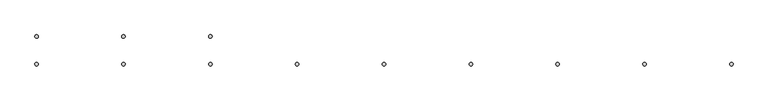
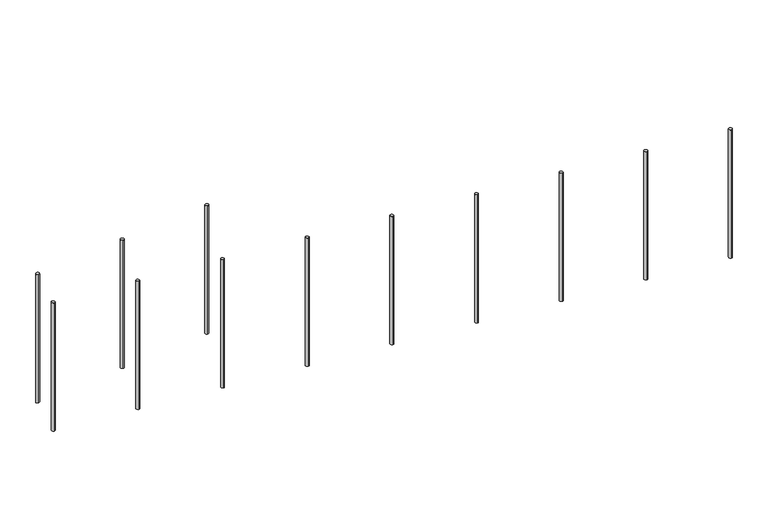
"""IFC4 building model written with IfcOpenShell, lengths in millimetres: railing geometry."""

from ifc_helpers import new_model, si_unit, frame, origin, place, context, project, spatial, ellipse_curve, source, transform, mapped, element, save
from ifc_brep_helpers import plane_surface, cylinder_surface, advanced_brep


def railing_6ff481ee(model_context):
    return source(origin(), model_context, "Body", "AdvancedBrep", [
        advanced_brep(
        [(9360.0112841, -19526.8920513, 179.8722041), (9360.0112841, -19546.8920513, 179.8722041), (9360.0112841, -19546.8920513, -620.0), (9360.0112841, -19526.8920513, -620.0)],
        [
            (0, 1, ellipse_curve(frame((9360.0112841, -19536.8920513, 179.8722041), z_axis=(0.07974522228288877, 0.0, -0.9968152785361252), x_axis=(0.9968152785361252, 0.0, 0.07974522228288722)), 10.031949, 10.0)),
            (1, 2),
            (2, 3, ellipse_curve(frame((9360.0112841, -19536.8920513, -620.0), z_axis=(-0.07974522228288976, 0.0, 0.9968152785361251), x_axis=(0.9968152785361251, 0.0, 0.07974522228288902)), 10.031949, 10.0)),
            (3, 0),
            (3, 2, ellipse_curve(frame((9360.0112841, -19536.8920513, -620.0), z_axis=(-0.07974522228288976, 0.0, 0.9968152785361251), x_axis=(0.9968152785361251, 0.0, 0.07974522228288902)), 10.031949, 10.0)),
            (1, 0, ellipse_curve(frame((9360.0112841, -19536.8920513, 179.8722041), z_axis=(0.07974522228288877, 0.0, -0.9968152785361252), x_axis=(0.9968152785361252, 0.0, 0.07974522228288722)), 10.031949, 10.0)),
        ],
        [
            cylinder_surface(frame((9360.0112841, -19536.8920513, -720.0), z_axis=(0.0, 0.0, 1.0), x_axis=(0.0, -1.0, 0.0)), 10.0),
            plane_surface(frame((9380.0112841, -19556.8920513, 181.4722041), z_axis=(-0.07974522228288877, 0.0, 0.9968152785361252), x_axis=(0.0, 1.0, 0.0))),
            plane_surface(frame((9340.0112841, -19556.8920513, -621.6), z_axis=(0.07974522228288976, 0.0, -0.9968152785361251), x_axis=(0.0, 1.0, 0.0))),
        ],
        [
            (0, [[1, 2, 3, 4]]),
            (0, [[5, -2, 6, -4]]),
            (1, [[-6, -1]]),
            (2, [[-5, -3]]),
        ],
    ),
        advanced_brep(
        [(8860.0112841, -19526.8920513, 139.8722041), (8860.0112841, -19546.8920513, 139.8722041), (8860.0112841, -19546.8920513, -660.0), (8860.0112841, -19526.8920513, -660.0)],
        [
            (0, 1, ellipse_curve(frame((8860.0112841, -19536.8920513, 139.8722041), z_axis=(0.07974522228288877, 0.0, -0.9968152785361252), x_axis=(0.9968152785361252, 0.0, 0.07974522228288722)), 10.031949, 10.0)),
            (1, 2),
            (2, 3, ellipse_curve(frame((8860.0112841, -19536.8920513, -660.0), z_axis=(-0.07974522228288976, 0.0, 0.9968152785361251), x_axis=(0.9968152785361251, 0.0, 0.07974522228288902)), 10.031949, 10.0)),
            (3, 0),
            (3, 2, ellipse_curve(frame((8860.0112841, -19536.8920513, -660.0), z_axis=(-0.07974522228288976, 0.0, 0.9968152785361251), x_axis=(0.9968152785361251, 0.0, 0.07974522228288902)), 10.031949, 10.0)),
            (1, 0, ellipse_curve(frame((8860.0112841, -19536.8920513, 139.8722041), z_axis=(0.07974522228288877, 0.0, -0.9968152785361252), x_axis=(0.9968152785361252, 0.0, 0.07974522228288722)), 10.031949, 10.0)),
        ],
        [
            cylinder_surface(frame((8860.0112841, -19536.8920513, -760.0), z_axis=(0.0, 0.0, 1.0), x_axis=(0.0, -1.0, 0.0)), 10.0),
            plane_surface(frame((8880.0112841, -19556.8920513, 141.4722041), z_axis=(-0.07974522228288877, 0.0, 0.9968152785361252), x_axis=(0.0, 1.0, 0.0))),
            plane_surface(frame((8840.0112841, -19556.8920513, -661.6), z_axis=(0.07974522228288976, 0.0, -0.9968152785361251), x_axis=(0.0, 1.0, 0.0))),
        ],
        [
            (0, [[1, 2, 3, 4]]),
            (0, [[5, -2, 6, -4]]),
            (1, [[-6, -1]]),
            (2, [[-5, -3]]),
        ],
    ),
        advanced_brep(
        [(8360.0112841, -19526.8920513, 99.8722041), (8360.0112841, -19546.8920513, 99.8722041), (8360.0112841, -19546.8920513, -700.0), (8360.0112841, -19526.8920513, -700.0)],
        [
            (0, 1, ellipse_curve(frame((8360.0112841, -19536.8920513, 99.8722041), z_axis=(0.07974522228288877, 0.0, -0.9968152785361252), x_axis=(0.9968152785361252, 0.0, 0.07974522228288722)), 10.031949, 10.0)),
            (1, 2),
            (2, 3, ellipse_curve(frame((8360.0112841, -19536.8920513, -700.0), z_axis=(-0.07974522228288976, 0.0, 0.9968152785361251), x_axis=(0.9968152785361251, 0.0, 0.07974522228288902)), 10.031949, 10.0)),
            (3, 0),
            (3, 2, ellipse_curve(frame((8360.0112841, -19536.8920513, -700.0), z_axis=(-0.07974522228288976, 0.0, 0.9968152785361251), x_axis=(0.9968152785361251, 0.0, 0.07974522228288902)), 10.031949, 10.0)),
            (1, 0, ellipse_curve(frame((8360.0112841, -19536.8920513, 99.8722041), z_axis=(0.07974522228288877, 0.0, -0.9968152785361252), x_axis=(0.9968152785361252, 0.0, 0.07974522228288722)), 10.031949, 10.0)),
        ],
        [
            cylinder_surface(frame((8360.0112841, -19536.8920513, -800.0), z_axis=(0.0, 0.0, 1.0), x_axis=(0.0, -1.0, 0.0)), 10.0),
            plane_surface(frame((8380.0112841, -19556.8920513, 101.4722041), z_axis=(-0.07974522228288877, 0.0, 0.9968152785361252), x_axis=(0.0, 1.0, 0.0))),
            plane_surface(frame((8340.0112841, -19556.8920513, -701.6), z_axis=(0.07974522228288976, 0.0, -0.9968152785361251), x_axis=(0.0, 1.0, 0.0))),
        ],
        [
            (0, [[1, 2, 3, 4]]),
            (0, [[5, -2, 6, -4]]),
            (1, [[-6, -1]]),
            (2, [[-5, -3]]),
        ],
    ),
        advanced_brep(
        [(8360.0112841, -19706.8920513, 19.8722041), (8360.0112841, -19686.8920513, 19.8722041), (8360.0112841, -19686.8920513, -780.0), (8360.0112841, -19706.8920513, -780.0)],
        [
            (0, 1, ellipse_curve(frame((8360.0112841, -19696.8920513, 19.8722041), z_axis=(-0.07974522228288877, 0.0, -0.9968152785361252), x_axis=(-0.9968152785361252, 0.0, 0.07974522228288722)), 10.031949, 10.0)),
            (1, 2),
            (2, 3, ellipse_curve(frame((8360.0112841, -19696.8920513, -780.0), z_axis=(0.07974522228288976, 0.0, 0.9968152785361251), x_axis=(-0.9968152785361251, 0.0, 0.07974522228288902)), 10.031949, 10.0)),
            (3, 0),
            (3, 2, ellipse_curve(frame((8360.0112841, -19696.8920513, -780.0), z_axis=(0.07974522228288976, 0.0, 0.9968152785361251), x_axis=(-0.9968152785361251, 0.0, 0.07974522228288902)), 10.031949, 10.0)),
            (1, 0, ellipse_curve(frame((8360.0112841, -19696.8920513, 19.8722041), z_axis=(-0.07974522228288877, 0.0, -0.9968152785361252), x_axis=(-0.9968152785361252, 0.0, 0.07974522228288722)), 10.031949, 10.0)),
        ],
        [
            cylinder_surface(frame((8360.0112841, -19696.8920513, -880.0), z_axis=(0.0, 0.0, 1.0), x_axis=(0.0, 1.0, 0.0)), 10.0),
            plane_surface(frame((8340.0112841, -19676.8920513, 21.4722041), z_axis=(0.07974522228288877, 0.0, 0.9968152785361252), x_axis=(0.0, -1.0, 0.0))),
            plane_surface(frame((8380.0112841, -19676.8920513, -781.6), z_axis=(-0.07974522228288976, 0.0, -0.9968152785361251), x_axis=(0.0, -1.0, 0.0))),
        ],
        [
            (0, [[1, 2, 3, 4]]),
            (0, [[5, -2, 6, -4]]),
            (1, [[-6, -1]]),
            (2, [[-5, -3]]),
        ],
    ),
        advanced_brep(
        [(8860.0112841, -19706.8920513, -20.1277959), (8860.0112841, -19686.8920513, -20.1277959), (8860.0112841, -19686.8920513, -820.0), (8860.0112841, -19706.8920513, -820.0)],
        [
            (0, 1, ellipse_curve(frame((8860.0112841, -19696.8920513, -20.1277959), z_axis=(-0.07974522228288877, 0.0, -0.9968152785361252), x_axis=(-0.9968152785361252, 0.0, 0.07974522228288722)), 10.031949, 10.0)),
            (1, 2),
            (2, 3, ellipse_curve(frame((8860.0112841, -19696.8920513, -820.0), z_axis=(0.07974522228288976, 0.0, 0.9968152785361251), x_axis=(-0.9968152785361251, 0.0, 0.07974522228288902)), 10.031949, 10.0)),
            (3, 0),
            (3, 2, ellipse_curve(frame((8860.0112841, -19696.8920513, -820.0), z_axis=(0.07974522228288976, 0.0, 0.9968152785361251), x_axis=(-0.9968152785361251, 0.0, 0.07974522228288902)), 10.031949, 10.0)),
            (1, 0, ellipse_curve(frame((8860.0112841, -19696.8920513, -20.1277959), z_axis=(-0.07974522228288877, 0.0, -0.9968152785361252), x_axis=(-0.9968152785361252, 0.0, 0.07974522228288722)), 10.031949, 10.0)),
        ],
        [
            cylinder_surface(frame((8860.0112841, -19696.8920513, -920.0), z_axis=(0.0, 0.0, 1.0), x_axis=(0.0, 1.0, 0.0)), 10.0),
            plane_surface(frame((8840.0112841, -19676.8920513, -18.5277959), z_axis=(0.07974522228288877, 0.0, 0.9968152785361252), x_axis=(0.0, -1.0, 0.0))),
            plane_surface(frame((8880.0112841, -19676.8920513, -821.6), z_axis=(-0.07974522228288976, 0.0, -0.9968152785361251), x_axis=(0.0, -1.0, 0.0))),
        ],
        [
            (0, [[1, 2, 3, 4]]),
            (0, [[5, -2, 6, -4]]),
            (1, [[-6, -1]]),
            (2, [[-5, -3]]),
        ],
    ),
        advanced_brep(
        [(9360.0112841, -19706.8920513, -60.1277959), (9360.0112841, -19686.8920513, -60.1277959), (9360.0112841, -19686.8920513, -860.0), (9360.0112841, -19706.8920513, -860.0)],
        [
            (0, 1, ellipse_curve(frame((9360.0112841, -19696.8920513, -60.1277959), z_axis=(-0.07974522228288877, 0.0, -0.9968152785361252), x_axis=(-0.9968152785361252, 0.0, 0.07974522228288722)), 10.031949, 10.0)),
            (1, 2),
            (2, 3, ellipse_curve(frame((9360.0112841, -19696.8920513, -860.0), z_axis=(0.07974522228288976, 0.0, 0.9968152785361251), x_axis=(-0.9968152785361251, 0.0, 0.07974522228288902)), 10.031949, 10.0)),
            (3, 0),
            (3, 2, ellipse_curve(frame((9360.0112841, -19696.8920513, -860.0), z_axis=(0.07974522228288976, 0.0, 0.9968152785361251), x_axis=(-0.9968152785361251, 0.0, 0.07974522228288902)), 10.031949, 10.0)),
            (1, 0, ellipse_curve(frame((9360.0112841, -19696.8920513, -60.1277959), z_axis=(-0.07974522228288877, 0.0, -0.9968152785361252), x_axis=(-0.9968152785361252, 0.0, 0.07974522228288722)), 10.031949, 10.0)),
        ],
        [
            cylinder_surface(frame((9360.0112841, -19696.8920513, -960.0), z_axis=(0.0, 0.0, 1.0), x_axis=(0.0, 1.0, 0.0)), 10.0),
            plane_surface(frame((9340.0112841, -19676.8920513, -58.5277959), z_axis=(0.07974522228288877, 0.0, 0.9968152785361252), x_axis=(0.0, -1.0, 0.0))),
            plane_surface(frame((9380.0112841, -19676.8920513, -861.6), z_axis=(-0.07974522228288976, 0.0, -0.9968152785361251), x_axis=(0.0, -1.0, 0.0))),
        ],
        [
            (0, [[1, 2, 3, 4]]),
            (0, [[5, -2, 6, -4]]),
            (1, [[-6, -1]]),
            (2, [[-5, -3]]),
        ],
    ),
        advanced_brep(
        [(9860.0112841, -19706.8920513, -100.1277959), (9860.0112841, -19686.8920513, -100.1277959), (9860.0112841, -19686.8920513, -900.0), (9860.0112841, -19706.8920513, -900.0)],
        [
            (0, 1, ellipse_curve(frame((9860.0112841, -19696.8920513, -100.1277959), z_axis=(-0.07974522228288877, 0.0, -0.9968152785361252), x_axis=(-0.9968152785361252, 0.0, 0.07974522228288722)), 10.031949, 10.0)),
            (1, 2),
            (2, 3, ellipse_curve(frame((9860.0112841, -19696.8920513, -900.0), z_axis=(0.07974522228288976, 0.0, 0.9968152785361251), x_axis=(-0.9968152785361251, 0.0, 0.07974522228288902)), 10.031949, 10.0)),
            (3, 0),
            (3, 2, ellipse_curve(frame((9860.0112841, -19696.8920513, -900.0), z_axis=(0.07974522228288976, 0.0, 0.9968152785361251), x_axis=(-0.9968152785361251, 0.0, 0.07974522228288902)), 10.031949, 10.0)),
            (1, 0, ellipse_curve(frame((9860.0112841, -19696.8920513, -100.1277959), z_axis=(-0.07974522228288877, 0.0, -0.9968152785361252), x_axis=(-0.9968152785361252, 0.0, 0.07974522228288722)), 10.031949, 10.0)),
        ],
        [
            cylinder_surface(frame((9860.0112841, -19696.8920513, -1000.0), z_axis=(0.0, 0.0, 1.0), x_axis=(0.0, 1.0, 0.0)), 10.0),
            plane_surface(frame((9840.0112841, -19676.8920513, -98.5277959), z_axis=(0.07974522228288877, 0.0, 0.9968152785361252), x_axis=(0.0, -1.0, 0.0))),
            plane_surface(frame((9880.0112841, -19676.8920513, -901.6), z_axis=(-0.07974522228288976, 0.0, -0.9968152785361251), x_axis=(0.0, -1.0, 0.0))),
        ],
        [
            (0, [[1, 2, 3, 4]]),
            (0, [[5, -2, 6, -4]]),
            (1, [[-6, -1]]),
            (2, [[-5, -3]]),
        ],
    ),
        advanced_brep(
        [(10360.0112841, -19706.8920513, -140.1277959), (10360.0112841, -19686.8920513, -140.1277959), (10360.0112841, -19686.8920513, -940.0), (10360.0112841, -19706.8920513, -940.0)],
        [
            (0, 1, ellipse_curve(frame((10360.0112841, -19696.8920513, -140.1277959), z_axis=(-0.07974522228288877, 0.0, -0.9968152785361252), x_axis=(-0.9968152785361252, 0.0, 0.07974522228288722)), 10.031949, 10.0)),
            (1, 2),
            (2, 3, ellipse_curve(frame((10360.0112841, -19696.8920513, -940.0), z_axis=(0.07974522228288976, 0.0, 0.9968152785361251), x_axis=(-0.9968152785361251, 0.0, 0.07974522228288902)), 10.031949, 10.0)),
            (3, 0),
            (3, 2, ellipse_curve(frame((10360.0112841, -19696.8920513, -940.0), z_axis=(0.07974522228288976, 0.0, 0.9968152785361251), x_axis=(-0.9968152785361251, 0.0, 0.07974522228288902)), 10.031949, 10.0)),
            (1, 0, ellipse_curve(frame((10360.0112841, -19696.8920513, -140.1277959), z_axis=(-0.07974522228288877, 0.0, -0.9968152785361252), x_axis=(-0.9968152785361252, 0.0, 0.07974522228288722)), 10.031949, 10.0)),
        ],
        [
            cylinder_surface(frame((10360.0112841, -19696.8920513, -1040.0), z_axis=(0.0, 0.0, 1.0), x_axis=(0.0, 1.0, 0.0)), 10.0),
            plane_surface(frame((10340.0112841, -19676.8920513, -138.5277959), z_axis=(0.07974522228288877, 0.0, 0.9968152785361252), x_axis=(0.0, -1.0, 0.0))),
            plane_surface(frame((10380.0112841, -19676.8920513, -941.6), z_axis=(-0.07974522228288976, 0.0, -0.9968152785361251), x_axis=(0.0, -1.0, 0.0))),
        ],
        [
            (0, [[1, 2, 3, 4]]),
            (0, [[5, -2, 6, -4]]),
            (1, [[-6, -1]]),
            (2, [[-5, -3]]),
        ],
    ),
        advanced_brep(
        [(10860.0112841, -19706.8920513, -180.1277959), (10860.0112841, -19686.8920513, -180.1277959), (10860.0112841, -19686.8920513, -980.0), (10860.0112841, -19706.8920513, -980.0)],
        [
            (0, 1, ellipse_curve(frame((10860.0112841, -19696.8920513, -180.1277959), z_axis=(-0.07974522228288877, 0.0, -0.9968152785361252), x_axis=(-0.9968152785361252, 0.0, 0.07974522228288722)), 10.031949, 10.0)),
            (1, 2),
            (2, 3, ellipse_curve(frame((10860.0112841, -19696.8920513, -980.0), z_axis=(0.07974522228288976, 0.0, 0.9968152785361251), x_axis=(-0.9968152785361251, 0.0, 0.07974522228288902)), 10.031949, 10.0)),
            (3, 0),
            (3, 2, ellipse_curve(frame((10860.0112841, -19696.8920513, -980.0), z_axis=(0.07974522228288976, 0.0, 0.9968152785361251), x_axis=(-0.9968152785361251, 0.0, 0.07974522228288902)), 10.031949, 10.0)),
            (1, 0, ellipse_curve(frame((10860.0112841, -19696.8920513, -180.1277959), z_axis=(-0.07974522228288877, 0.0, -0.9968152785361252), x_axis=(-0.9968152785361252, 0.0, 0.07974522228288722)), 10.031949, 10.0)),
        ],
        [
            cylinder_surface(frame((10860.0112841, -19696.8920513, -1080.0), z_axis=(0.0, 0.0, 1.0), x_axis=(0.0, 1.0, 0.0)), 10.0),
            plane_surface(frame((10840.0112841, -19676.8920513, -178.5277959), z_axis=(0.07974522228288877, 0.0, 0.9968152785361252), x_axis=(0.0, -1.0, 0.0))),
            plane_surface(frame((10880.0112841, -19676.8920513, -981.6), z_axis=(-0.07974522228288976, 0.0, -0.9968152785361251), x_axis=(0.0, -1.0, 0.0))),
        ],
        [
            (0, [[1, 2, 3, 4]]),
            (0, [[5, -2, 6, -4]]),
            (1, [[-6, -1]]),
            (2, [[-5, -3]]),
        ],
    ),
        advanced_brep(
        [(11360.0112841, -19706.8920513, -220.1277959), (11360.0112841, -19686.8920513, -220.1277959), (11360.0112841, -19686.8920513, -1020.0), (11360.0112841, -19706.8920513, -1020.0)],
        [
            (0, 1, ellipse_curve(frame((11360.0112841, -19696.8920513, -220.1277959), z_axis=(-0.07974522228288877, 0.0, -0.9968152785361252), x_axis=(-0.9968152785361252, 0.0, 0.07974522228288722)), 10.031949, 10.0)),
            (1, 2),
            (2, 3, ellipse_curve(frame((11360.0112841, -19696.8920513, -1020.0), z_axis=(0.07974522228288976, 0.0, 0.9968152785361251), x_axis=(-0.9968152785361251, 0.0, 0.07974522228288902)), 10.031949, 10.0)),
            (3, 0),
            (3, 2, ellipse_curve(frame((11360.0112841, -19696.8920513, -1020.0), z_axis=(0.07974522228288976, 0.0, 0.9968152785361251), x_axis=(-0.9968152785361251, 0.0, 0.07974522228288902)), 10.031949, 10.0)),
            (1, 0, ellipse_curve(frame((11360.0112841, -19696.8920513, -220.1277959), z_axis=(-0.07974522228288877, 0.0, -0.9968152785361252), x_axis=(-0.9968152785361252, 0.0, 0.07974522228288722)), 10.031949, 10.0)),
        ],
        [
            cylinder_surface(frame((11360.0112841, -19696.8920513, -1120.0), z_axis=(0.0, 0.0, 1.0), x_axis=(0.0, 1.0, 0.0)), 10.0),
            plane_surface(frame((11340.0112841, -19676.8920513, -218.5277959), z_axis=(0.07974522228288877, 0.0, 0.9968152785361252), x_axis=(0.0, -1.0, 0.0))),
            plane_surface(frame((11380.0112841, -19676.8920513, -1021.6), z_axis=(-0.07974522228288976, 0.0, -0.9968152785361251), x_axis=(0.0, -1.0, 0.0))),
        ],
        [
            (0, [[1, 2, 3, 4]]),
            (0, [[5, -2, 6, -4]]),
            (1, [[-6, -1]]),
            (2, [[-5, -3]]),
        ],
    ),
        advanced_brep(
        [(11860.0112841, -19706.8920513, -260.1277959), (11860.0112841, -19686.8920513, -260.1277959), (11860.0112841, -19686.8920513, -1060.0), (11860.0112841, -19706.8920513, -1060.0)],
        [
            (0, 1, ellipse_curve(frame((11860.0112841, -19696.8920513, -260.1277959), z_axis=(-0.07974522228288877, 0.0, -0.9968152785361252), x_axis=(-0.9968152785361252, 0.0, 0.07974522228288722)), 10.031949, 10.0)),
            (1, 2),
            (2, 3, ellipse_curve(frame((11860.0112841, -19696.8920513, -1060.0), z_axis=(0.07974522228288976, 0.0, 0.9968152785361251), x_axis=(-0.9968152785361251, 0.0, 0.07974522228288902)), 10.031949, 10.0)),
            (3, 0),
            (3, 2, ellipse_curve(frame((11860.0112841, -19696.8920513, -1060.0), z_axis=(0.07974522228288976, 0.0, 0.9968152785361251), x_axis=(-0.9968152785361251, 0.0, 0.07974522228288902)), 10.031949, 10.0)),
            (1, 0, ellipse_curve(frame((11860.0112841, -19696.8920513, -260.1277959), z_axis=(-0.07974522228288877, 0.0, -0.9968152785361252), x_axis=(-0.9968152785361252, 0.0, 0.07974522228288722)), 10.031949, 10.0)),
        ],
        [
            cylinder_surface(frame((11860.0112841, -19696.8920513, -1160.0), z_axis=(0.0, 0.0, 1.0), x_axis=(0.0, 1.0, 0.0)), 10.0),
            plane_surface(frame((11840.0112841, -19676.8920513, -258.5277959), z_axis=(0.07974522228288877, 0.0, 0.9968152785361252), x_axis=(0.0, -1.0, 0.0))),
            plane_surface(frame((11880.0112841, -19676.8920513, -1061.6), z_axis=(-0.07974522228288976, 0.0, -0.9968152785361251), x_axis=(0.0, -1.0, 0.0))),
        ],
        [
            (0, [[1, 2, 3, 4]]),
            (0, [[5, -2, 6, -4]]),
            (1, [[-6, -1]]),
            (2, [[-5, -3]]),
        ],
    ),
        advanced_brep(
        [(12360.0112841, -19706.8920513, -300.1277959), (12360.0112841, -19686.8920513, -300.1277959), (12360.0112841, -19686.8920513, -1100.0), (12360.0112841, -19706.8920513, -1100.0)],
        [
            (0, 1, ellipse_curve(frame((12360.0112841, -19696.8920513, -300.1277959), z_axis=(-0.07974522228288877, 0.0, -0.9968152785361252), x_axis=(-0.9968152785361252, 0.0, 0.07974522228288722)), 10.031949, 10.0)),
            (1, 2),
            (2, 3, ellipse_curve(frame((12360.0112841, -19696.8920513, -1100.0), z_axis=(0.07974522228288976, 0.0, 0.9968152785361251), x_axis=(-0.9968152785361251, 0.0, 0.07974522228288902)), 10.031949, 10.0)),
            (3, 0),
            (3, 2, ellipse_curve(frame((12360.0112841, -19696.8920513, -1100.0), z_axis=(0.07974522228288976, 0.0, 0.9968152785361251), x_axis=(-0.9968152785361251, 0.0, 0.07974522228288902)), 10.031949, 10.0)),
            (1, 0, ellipse_curve(frame((12360.0112841, -19696.8920513, -300.1277959), z_axis=(-0.07974522228288877, 0.0, -0.9968152785361252), x_axis=(-0.9968152785361252, 0.0, 0.07974522228288722)), 10.031949, 10.0)),
        ],
        [
            cylinder_surface(frame((12360.0112841, -19696.8920513, -1200.0), z_axis=(0.0, 0.0, 1.0), x_axis=(0.0, 1.0, 0.0)), 10.0),
            plane_surface(frame((12340.0112841, -19676.8920513, -298.5277959), z_axis=(0.07974522228288877, 0.0, 0.9968152785361252), x_axis=(0.0, -1.0, 0.0))),
            plane_surface(frame((12380.0112841, -19676.8920513, -1101.6), z_axis=(-0.07974522228288976, 0.0, -0.9968152785361251), x_axis=(0.0, -1.0, 0.0))),
        ],
        [
            (0, [[1, 2, 3, 4]]),
            (0, [[5, -2, 6, -4]]),
            (1, [[-6, -1]]),
            (2, [[-5, -3]]),
        ],
    ),
    ])


if __name__ == "__main__":
    model = new_model("IFC4")
    model_context = context("Model", 3, world=origin())
    ifc_project = project(units=[si_unit("LENGTHUNIT", "METRE", prefix="MILLI")], contexts=[model_context])
    site = spatial("IfcSite", under=ifc_project)
    building = spatial("IfcBuilding", under=site)
    placement = place(None, origin())
    railing_shape = railing_6ff481ee(model_context)
    element("IfcRailing", 1, at=placement, inside=building, context=model_context, shape_type="MappedRepresentation", body=[
        mapped(railing_shape, transform((0.0, 0.0, 0.0), x_axis=(1.0, 0.0, 0.0), y_axis=(0.0, 1.0, 0.0), z_axis=(0.0, 0.0, 1.0))),
    ])
    save(model, "model.ifc")
